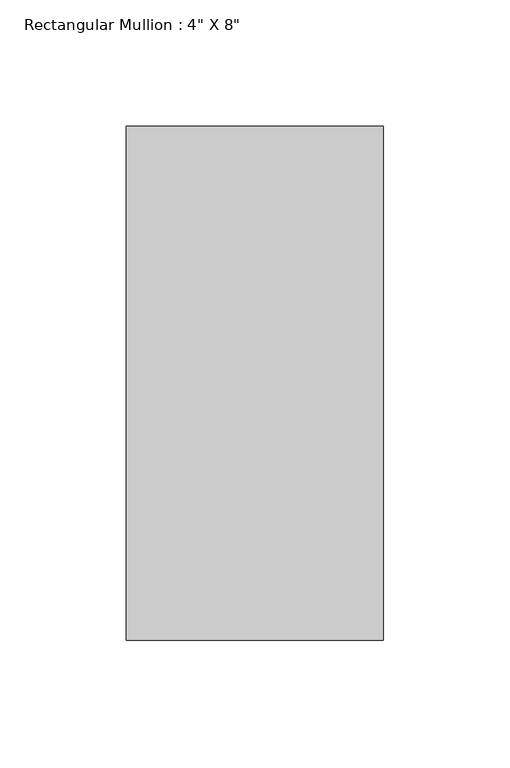
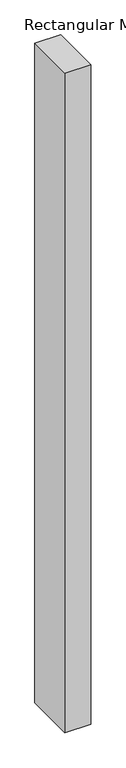
"""IFC4 building model written with IfcOpenShell, lengths in millimetres: member geometry."""

from ifc_helpers import new_model, si_unit, frame, origin, place, context, project, spatial, polyline, outline, extrude, source, transform, mapped, element, save


def member_99a79522(model_context):
    return source(origin(), model_context, "Body", "SweptSolid", [
        extrude(outline(polyline([(50.8, 139.7), (50.8, -63.5), (-50.8, -63.5), (-50.8, 139.7), (50.8, 139.7)])), frame((0.0, 0.0, -2743.2), z_axis=(0.0, 0.0, 1.0), x_axis=(1.0, 0.0, 0.0)), (0.0, 0.0, 1.0), 2743.2),
    ])


if __name__ == "__main__":
    model = new_model("IFC4")
    model_context = context("Model", 3, world=origin())
    ifc_project = project(units=[si_unit("LENGTHUNIT", "METRE", prefix="MILLI")], contexts=[model_context])
    site = spatial("IfcSite", under=ifc_project)
    building = spatial("IfcBuilding", under=site)
    placement = place(None, origin())
    member_shape = member_99a79522(model_context)
    element("IfcMember", 1, ObjectType="Rectangular Mullion : 4\" X 8\"", at=placement, inside=building, context=model_context, shape_type="MappedRepresentation", body=[
        mapped(member_shape, transform((0.0, 0.0, 0.0), x_axis=(1.0, 0.0, 0.0), y_axis=(0.0, 1.0, 0.0), z_axis=(0.0, 0.0, 1.0))),
    ])
    save(model, "model.ifc")
